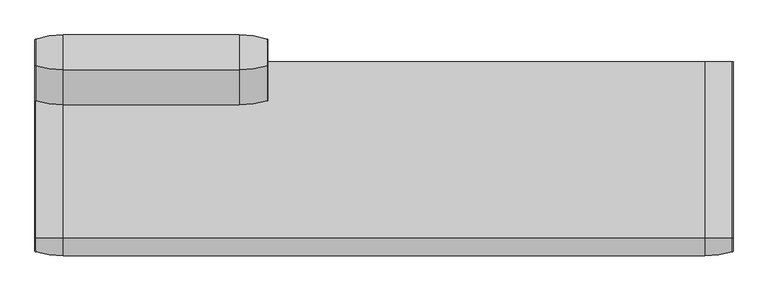
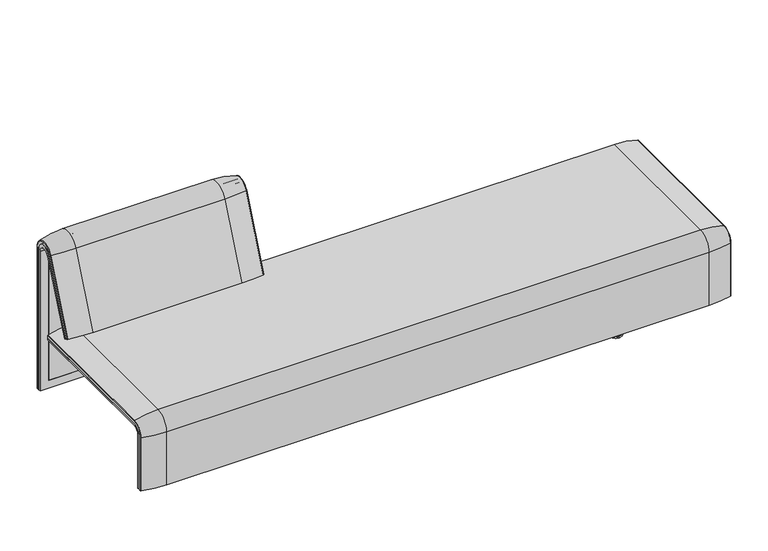
"""IFC4 building model written with IfcOpenShell, lengths in millimetres: furniture geometry."""

from ifc_helpers import new_model, si_unit, point, frame, frame_2d, origin, place, context, project, spatial, polyline, circle_curve, ellipse_curve, trimmed, segment, composite_curve, outline, extrude, source, transform, mapped, element, save
from ifc_brep_helpers import plane_surface, cylinder_surface, revolved_surface, advanced_brep


def furniture_80d28bf8(model_context):
    return source(origin(), model_context, "Body", "SolidModel", [
        advanced_brep(
        [(-407.9740803, 351.0000061, 101.8476716), (-407.9740803, 359.7858817, 101.8476716), (-407.9740803, 359.7858817, 720.3417731), (-407.9740803, 292.4403877, 733.7122262), (-407.9740803, 170.1966807, 437.98305), (-407.9740803, 175.0204081, 435.9866665), (-407.9740803, 296.2458652, 723.9869215), (-407.9740803, 351.0000061, 712.9272623), (-1223.9553291, 351.0000061, 101.8476716), (-1223.9553291, 351.0000061, 712.9272623), (-1223.9553291, 296.2720241, 723.9759107), (-1223.9553291, 175.0204081, 435.9866665), (-1223.9553291, 170.1966807, 437.98305), (-1223.9553291, 292.4403877, 733.7122262), (-1223.9553291, 359.7858817, 720.3417731), (-1223.9553291, 359.7858817, 101.8476716), (-442.8906244, 292.4403877, 733.7122262), (-442.8906244, 176.0980387, 452.25948), (-1189.0718733, 176.0980387, 452.25948), (-1189.0718733, 292.4403877, 733.7122262), (-1189.0718733, 296.2458652, 723.9869215), (-1189.0718733, 181.0136548, 450.2250668), (-442.8906244, 181.0136548, 450.2250668), (-442.8906244, 296.2458652, 723.9869215), (-442.8906244, 351.0000061, 712.9272623), (-442.8906244, 351.0000061, 135.3766997), (-1189.0718733, 351.0000061, 135.3766997), (-1189.0718733, 351.0000061, 712.9272623), (-1189.0718733, 359.7858817, 720.3417731), (-1189.0718733, 359.7858817, 135.3766997), (-442.8906244, 359.7858817, 135.3766997), (-442.8906244, 359.7858817, 720.3417731)],
        [
            (0, 1),
            (1, 2),
            (2, 3, circle_curve(frame((-407.9740803, 324.7858817, 720.3417731), z_axis=(1.0, 0.0, 0.0), x_axis=(0.0, -1.0, 0.0)), 35.0)),
            (3, 4),
            (4, 5),
            (5, 6),
            (6, 7, circle_curve(frame((-407.9740803, 322.520748, 712.9272623), z_axis=(-1.0, 0.0, 0.0), x_axis=(0.0, -1.0, 0.0)), 28.479258)),
            (7, 0),
            (8, 9),
            (9, 10, circle_curve(frame((-1223.9553291, 322.520748, 712.9272623), z_axis=(1.0, 0.0, 0.0), x_axis=(0.0, -1.0, 0.0)), 28.479258)),
            (10, 11),
            (11, 12),
            (12, 13),
            (13, 14, circle_curve(frame((-1223.9553291, 324.7858817, 720.3417731), z_axis=(-1.0, 0.0, 0.0), x_axis=(0.0, -1.0, 0.0)), 35.0)),
            (14, 15),
            (15, 8),
            (3, 16),
            (16, 17),
            (17, 18),
            (18, 19),
            (19, 13),
            (12, 4),
            (11, 5),
            (10, 20),
            (20, 21),
            (21, 22),
            (22, 23),
            (23, 6),
            (7, 24),
            (24, 25),
            (25, 26),
            (26, 27),
            (27, 9),
            (8, 0),
            (15, 1),
            (14, 28),
            (28, 29),
            (29, 30),
            (30, 31),
            (31, 2),
            (31, 16, circle_curve(frame((-442.8906244, 324.7858817, 720.3417731), z_axis=(1.0, 0.0, 0.0), x_axis=(0.0, -1.0, 0.0)), 35.0)),
            (19, 28, circle_curve(frame((-1189.0718733, 324.7858817, 720.3417731), z_axis=(-1.0, 0.0, 0.0), x_axis=(0.0, -1.0, 0.0)), 35.0)),
            (23, 24, circle_curve(frame((-442.8906244, 322.520748, 712.9272623), z_axis=(-1.0, 0.0, 0.0), x_axis=(0.0, -1.0, 0.0)), 28.479258)),
            (27, 20, circle_curve(frame((-1189.0718733, 322.520748, 712.9272623), z_axis=(1.0, 0.0, 0.0), x_axis=(0.0, -1.0, 0.0)), 28.479258)),
            (22, 17),
            (30, 25),
            (26, 29),
            (18, 21),
        ],
        [
            plane_surface(frame((-407.9740803, 359.7858817, 101.8476716), z_axis=(1.0, 0.0, 0.0), x_axis=(0.0, 1.0, 0.0))),
            plane_surface(frame((-1223.9553291, 359.7858817, 101.8476716), z_axis=(-1.0, 0.0, 0.0), x_axis=(0.0, -1.0, 0.0))),
            plane_surface(frame((-407.9740803, 292.4403877, 733.7122262), z_axis=(0.0, -0.9241569717933176, 0.3820129467515535), x_axis=(-1.0, 0.0, 0.0))),
            plane_surface(frame((-407.9740803, 170.1966807, 437.98305), z_axis=(0.0, -0.38241039441983893, -0.9239925812687368), x_axis=(-1.0, 0.0, 0.0))),
            plane_surface(frame((-407.9740803, 175.0204081, 435.9866665), z_axis=(0.0, 0.921678643444566, -0.3879542218073993), x_axis=(-1.0, 0.0, 0.0))),
            plane_surface(frame((-407.9740803, 351.0000061, 712.9272623), z_axis=(0.0, -1.0, 0.0), x_axis=(-1.0, 0.0, 0.0))),
            plane_surface(frame((-407.9740803, 351.0000061, 101.8476716), z_axis=(0.0, 0.0, -1.0), x_axis=(-1.0, 0.0, 0.0))),
            plane_surface(frame((-407.9740803, 359.7858817, 101.8476716), z_axis=(0.0, 1.0, 0.0), x_axis=(-1.0, 0.0, 0.0))),
            cylinder_surface(frame((-1223.9553291, 324.7858817, 720.3417731), z_axis=(1.0, 0.0, 0.0), x_axis=(0.0, -1.0, 0.0)), 35.0),
            revolved_surface(polyline([(-442.8906244, 294.04149, 712.9272623), (-407.97408029999997, 294.04149, 712.9272623)]), (-1223.9553291, 322.520748, 712.9272623), (-1.0, 0.0, 0.0)),
            revolved_surface(polyline([(-1223.9553291, 294.04149, 712.9272623), (-1189.0718733, 294.04149, 712.9272623)]), (-1223.9553291, 322.520748, 712.9272623), (-1.0, 0.0, 0.0)),
            plane_surface(frame((-442.8906244, 359.7858817, 135.3766997), z_axis=(-1.0, 0.0, 0.0), x_axis=(0.0, 1.0, 0.0))),
            plane_surface(frame((-1189.0718733, 359.7858817, 135.3766997), z_axis=(1.0, 0.0, 0.0), x_axis=(0.0, -1.0, 0.0))),
            plane_surface(frame((-442.8906244, 166.9120641, 456.0612553), z_axis=(0.0, 0.38241039441982605, 0.9239925812687422), x_axis=(-1.0, 0.0, 0.0))),
            plane_surface(frame((-442.8906244, 344.7858817, 135.3766997), z_axis=(0.0, 0.0, 1.0), x_axis=(-1.0, 0.0, 0.0))),
        ],
        [
            (0, [[1, 2, 3, 4, 5, 6, 7, 8]]),
            (1, [[9, 10, 11, 12, 13, 14, 15, 16]]),
            (2, [[-4, 17, 18, 19, 20, 21, -13, 22]]),
            (3, [[-5, -22, -12, 23]]),
            (4, [[-6, -23, -11, 24, 25, 26, 27, 28]]),
            (5, [[-8, 29, 30, 31, 32, 33, -9, 34]]),
            (6, [[-1, -34, -16, 35]]),
            (7, [[-2, -35, -15, 36, 37, 38, 39, 40]]),
            (8, [[-3, -40, 41, -17]]),
            (8, [[-14, -21, 42, -36]]),
            (9, [[-7, -28, 43, -29]]),
            (10, [[-10, -33, 44, -24]]),
            (11, [[45, -18, -41, -39, 46, -30, -43, -27]]),
            (12, [[47, -37, -42, -20, 48, -25, -44, -32]]),
            (13, [[-45, -26, -48, -19]]),
            (14, [[-46, -38, -47, -31]]),
        ],
    ),
        advanced_brep(
        [(-442.8906244, 351.0000061, 135.3766997), (-442.8906244, 359.7858817, 135.3766997), (-442.8906244, 359.7858817, 720.3417731), (-442.8906244, 292.4403877, 733.7122262), (-442.8906244, 176.0980387, 452.25948), (-442.8906244, 181.0136548, 450.2250668), (-442.8906244, 296.2458652, 723.9869215), (-442.8906244, 351.0000061, 712.9272623), (-1189.0718733, 351.0000061, 135.3766997), (-1189.0718733, 351.0000061, 712.9272623), (-1189.0718733, 296.2720241, 723.9759107), (-1189.0718733, 181.0136548, 450.2250668), (-1189.0718733, 176.0980387, 452.25948), (-1189.0718733, 292.4403877, 733.7122262), (-1189.0718733, 359.7858817, 720.3417731), (-1189.0718733, 359.7858817, 135.3766997)],
        [
            (0, 1),
            (1, 2),
            (2, 3, circle_curve(frame((-442.8906244, 324.7858817, 720.3417731), z_axis=(1.0, 0.0, 0.0), x_axis=(0.0, -1.0, 0.0)), 35.0)),
            (3, 4),
            (4, 5),
            (5, 6),
            (6, 7, circle_curve(frame((-442.8906244, 322.520748, 712.9272623), z_axis=(-1.0, 0.0, 0.0), x_axis=(0.0, -1.0, 0.0)), 28.479258)),
            (7, 0),
            (8, 9),
            (9, 10, circle_curve(frame((-1189.0718733, 322.520748, 712.9272623), z_axis=(1.0, 0.0, 0.0), x_axis=(0.0, -1.0, 0.0)), 28.479258)),
            (10, 11),
            (11, 12),
            (12, 13),
            (13, 14, circle_curve(frame((-1189.0718733, 324.7858817, 720.3417731), z_axis=(-1.0, 0.0, 0.0), x_axis=(0.0, -1.0, 0.0)), 35.0)),
            (14, 15),
            (15, 8),
            (3, 13),
            (12, 4),
            (11, 5),
            (10, 6),
            (7, 9),
            (8, 0),
            (15, 1),
            (14, 2),
        ],
        [
            plane_surface(frame((-442.8906244, 359.7858817, 135.3766997), z_axis=(1.0, 0.0, 0.0), x_axis=(0.0, 1.0, 0.0))),
            plane_surface(frame((-1189.0718733, 359.7858817, 135.3766997), z_axis=(-1.0, 0.0, 0.0), x_axis=(0.0, -1.0, 0.0))),
            plane_surface(frame((-442.8906244, 292.4403877, 733.7122262), z_axis=(0.0, -0.9241569717933176, 0.3820129467515535), x_axis=(-1.0, 0.0, 0.0))),
            plane_surface(frame((-442.8906244, 176.0980387, 452.25948), z_axis=(0.0, -0.38241039441982716, -0.9239925812687417), x_axis=(-1.0, 0.0, 0.0))),
            plane_surface(frame((-442.8906244, 181.0136548, 450.2250668), z_axis=(0.0, 0.921678643444566, -0.3879542218073993), x_axis=(-1.0, 0.0, 0.0))),
            plane_surface(frame((-442.8906244, 351.0000061, 712.9272623), z_axis=(0.0, -1.0, 0.0), x_axis=(-1.0, 0.0, 0.0))),
            plane_surface(frame((-442.8906244, 351.0000061, 135.3766997), z_axis=(0.0, 0.0, -1.0), x_axis=(-1.0, 0.0, 0.0))),
            plane_surface(frame((-442.8906244, 359.7858817, 135.3766997), z_axis=(0.0, 1.0, 0.0), x_axis=(-1.0, 0.0, 0.0))),
            cylinder_surface(frame((-1189.0718733, 324.7858817, 720.3417731), z_axis=(1.0, 0.0, 0.0), x_axis=(0.0, -1.0, 0.0)), 35.0),
            revolved_surface(polyline([(-1189.0718733, 294.04149, 712.9272623), (-442.8906244, 294.04149, 712.9272623)]), (-1189.0718733, 322.520748, 712.9272623), (-1.0, 0.0, 0.0)),
        ],
        [
            (0, [[1, 2, 3, 4, 5, 6, 7, 8]]),
            (1, [[9, 10, 11, 12, 13, 14, 15, 16]]),
            (2, [[-4, 17, -13, 18]]),
            (3, [[-5, -18, -12, 19]]),
            (4, [[-6, -19, -11, 20]]),
            (5, [[-8, 21, -9, 22]]),
            (6, [[-1, -22, -16, 23]]),
            (7, [[-2, -23, -15, 24]]),
            (8, [[-3, -24, -14, -17]]),
            (9, [[-7, -20, -10, -21]]),
        ],
    ),
        extrude(outline(composite_curve([segment(trimmed(circle_curve(frame_2d((305.0000061, 379.9223263)), 30.0), [point((305.0000061, 349.9223263))], [point((335.0000061, 379.9223263))], True, "CARTESIAN"), True, "CONTINUOUS"), segment(polyline([(335.0000061, 379.9223263), (335.0000061, 515.0657595)]), True, "CONTINUOUS"), segment(trimmed(circle_curve(frame_2d((305.0000061, 515.0657595)), 30.0), [point((335.0000061, 515.0657595))], [point((316.7219399, 542.6809051))], True, "CARTESIAN"), True, "CONTINUOUS"), segment(polyline([(316.7219399, 542.6809051), (257.4911714, 567.8228747)]), True, "CONTINUOUS"), segment(trimmed(circle_curve(frame_2d((251.6302045, 554.0153019)), 15.0), [point((257.4911714, 567.8228747))], [point((238.0355877, 560.3545758))], True, "CARTESIAN"), True, "CONTINUOUS"), segment(polyline([(238.0355877, 560.3545758), (222.2725218, 526.5505721), (213.7507451, 529.5682915), (296.3054528, 724.0549949)]), True, "CONTINUOUS"), segment(trimmed(circle_curve(frame_2d((322.520748, 712.9272623)), 28.479258), [point((296.3054528, 724.0549949))], [point((351.0000061, 712.9272623))], False, "CARTESIAN"), True, "CONTINUOUS"), segment(polyline([(351.0000061, 712.9272623), (351.0000061, 197.0551771), (343.3075759, 197.0551771), (339.4064861, 271.492405)]), True, "CONTINUOUS"), segment(trimmed(circle_curve(frame_2d((309.4476, 269.9223263)), 30.0), [point((339.4064861, 271.492405))], [point((309.4476, 299.9223263))], True, "CARTESIAN"), True, "CONTINUOUS"), segment(polyline([(309.4476, 299.9223263), (270.0000061, 299.9223263), (270.0000061, 359.9223263), (275.0000061, 359.9223263)]), True, "CONTINUOUS"), segment(trimmed(circle_curve(frame_2d((285.0000061, 359.9223263)), 10.0), [point((275.0000061, 359.9223263))], [point((285.0000061, 349.9223263))], True, "CARTESIAN"), True, "CONTINUOUS"), segment(polyline([(285.0000061, 349.9223263), (305.0000061, 349.9223263)]), True, "CONTINUOUS")], self_intersect=False), holes=[composite_curve([segment(polyline([(337.5000061, 576.3274105), (337.5000061, 716.7072663)]), True, "CONTINUOUS"), segment(trimmed(circle_curve(frame_2d((322.5000061, 716.7072663)), 15.0), [point((337.5000061, 716.7072663))], [point((308.9053893, 723.0465402))], True, "CARTESIAN"), True, "CONTINUOUS"), segment(polyline([(308.9053893, 723.0465402), (253.6256191, 604.4986904)]), True, "CONTINUOUS"), segment(trimmed(circle_curve(frame_2d((271.7517748, 596.0463251)), 20.0), [point((253.6256191, 604.4986904))], [point((265.0756376, 577.1934953))], True, "CARTESIAN"), True, "CONTINUOUS"), segment(polyline([(265.0756376, 577.1934953), (314.1406626, 559.8186587)]), True, "CONTINUOUS"), segment(trimmed(circle_curve(frame_2d((319.9867182, 576.3274105)), 17.5132879), [point((314.1406626, 559.8186587))], [point((337.5000061, 576.3274105))], True, "CARTESIAN"), True, "CONTINUOUS")], self_intersect=False)]), frame((-570.986452, 0.0, 0.0), z_axis=(1.0, 0.0, 0.0), x_axis=(0.0, 1.0, 0.0)), (0.0, 0.0, 1.0), 40.0),
        advanced_brep(
        [(-507.9740803, 388.2902376, 100.5089435), (-410.1127088, 373.93893, 100.5089435), (-407.9740803, 371.0652495, 100.5089435), (-407.9740803, 359.7858817, 100.5089435), (-1223.9884174, 359.7858817, 100.5089435), (-1223.9884174, 371.0652495, 100.5089435), (-1221.8497889, 373.93893, 100.5089435), (-1123.9884174, 388.2902376, 100.5089435), (-1123.9884174, 388.2902376, 720.3417731), (-507.9740803, 388.2902376, 720.3417731), (-410.1127088, 373.93893, 720.3417731), (-407.9740803, 371.0652495, 720.3417731), (-407.9740803, 282.0164812, 738.0210907), (-407.9740803, 159.7723383, 442.2908598), (-407.9740803, 170.1962447, 437.9819952), (-407.9740803, 292.4403877, 733.7122262), (-407.9740803, 359.7858817, 720.3417731), (-1223.9884174, 359.7858817, 720.3417731), (-507.9740803, 143.8537454, 448.8710282), (-1123.9884174, 143.8537454, 448.8710282), (-1221.8497889, 157.1166065, 443.3886429), (-1223.9884174, 159.7723383, 442.2908598), (-1223.9884174, 170.1962447, 437.9819952), (-410.1127088, 157.1166065, 443.3886429), (-507.9740803, 266.0978884, 744.6012592), (-1123.9884174, 266.0978884, 744.6012592), (-410.1127088, 279.3607494, 739.1188739), (-1223.9884174, 292.4403877, 733.7122262), (-1223.9884174, 282.0164812, 738.0210907), (-1223.9884174, 371.0652495, 720.3417731), (-1221.8497889, 373.93893, 720.3417731), (-1221.8497889, 279.3607494, 739.1188739)],
        [
            (0, 1, circle_curve(frame((-507.9740803, 47.4569043, 100.5089435), z_axis=(0.0, 0.0, -1.0), x_axis=(0.0, -1.0, 0.0)), 340.8333333)),
            (1, 2, circle_curve(frame((-410.9740803, 371.0652495, 100.5089435), z_axis=(0.0, 0.0, -1.0), x_axis=(1.0, 0.0, 0.0)), 3.0)),
            (2, 3),
            (3, 4),
            (4, 5),
            (5, 6, circle_curve(frame((-1220.9884174, 371.0652495, 100.5089435), z_axis=(0.0, 0.0, -1.0), x_axis=(-1.0, 0.0, 0.0)), 3.0)),
            (6, 7, circle_curve(frame((-1123.9884174, 47.4569043, 100.5089435), z_axis=(0.0, 0.0, -1.0), x_axis=(0.0, -1.0, 0.0)), 340.8333333)),
            (7, 0),
            (7, 8),
            (8, 9),
            (9, 0),
            (9, 10, circle_curve(frame((-507.9740803, 47.4569043, 720.3417731), z_axis=(0.0, 0.0, -1.0), x_axis=(0.0, -1.0, 0.0)), 340.8333333)),
            (10, 1),
            (10, 11, circle_curve(frame((-410.9740803, 371.0652495, 720.3417731), z_axis=(0.0, 0.0, -1.0), x_axis=(1.0, 0.0, 0.0)), 3.0)),
            (11, 2),
            (11, 12, circle_curve(frame((-407.9740803, 324.7858817, 720.3417731), z_axis=(1.0, 0.0, 0.0), x_axis=(0.0, 1.0, 0.0)), 46.2793679)),
            (12, 13),
            (13, 14),
            (14, 15),
            (15, 16, circle_curve(frame((-407.9740803, 324.7858817, 720.3417731), z_axis=(-1.0, 0.0, 0.0), x_axis=(0.0, 1.0, 0.0)), 35.0)),
            (16, 3),
            (16, 17),
            (17, 4),
            (18, 19),
            (19, 20, circle_curve(frame((-1123.9884174, 458.8372467, 318.6682822), z_axis=(0.0, -0.38201294675155345, -0.9241569717933176), x_axis=(0.0, 0.9241569717933176, -0.38201294675155345)), 340.8333333)),
            (20, 21, circle_curve(frame((-1220.9884174, 159.7723383, 442.2908598), z_axis=(0.0, -0.38201294675155345, -0.9241569717933176), x_axis=(-1.0, 0.0, 0.0)), 3.0)),
            (21, 22),
            (22, 14),
            (13, 23, circle_curve(frame((-410.9740803, 159.7723383, 442.2908598), z_axis=(0.0, -0.38201294675155345, -0.9241569717933176), x_axis=(1.0, 0.0, 0.0)), 3.0)),
            (23, 18, circle_curve(frame((-507.9740803, 458.8372467, 318.6682822), z_axis=(0.0, -0.38201294675155345, -0.9241569717933176), x_axis=(0.0, 0.9241569717933176, -0.38201294675155345)), 340.8333333)),
            (24, 9, circle_curve(frame((-507.9740803, 324.7858817, 720.3417731), z_axis=(-1.0, 0.0, 0.0), x_axis=(0.0, 1.0, 0.0)), 63.5043559)),
            (8, 25, circle_curve(frame((-1123.9884174, 324.7858817, 720.3417731), z_axis=(1.0, 0.0, 0.0), x_axis=(0.0, 1.0, 0.0)), 63.5043559)),
            (25, 24),
            (26, 10, circle_curve(frame((-410.1127088, 324.7858817, 720.3417731), z_axis=(-1.0, 0.0, 0.0), x_axis=(0.0, 1.0, 0.0)), 49.1530483)),
            (24, 26, circle_curve(frame((-507.9740803, 581.0813896, 614.3985132), z_axis=(0.0, 0.382012946751556, 0.9241569717933165), x_axis=(0.0, 0.9241569717933165, -0.382012946751556)), 340.8333333)),
            (26, 12, circle_curve(frame((-410.9740803, 282.0164812, 738.0210907), z_axis=(0.0, 0.3820129467515552, 0.9241569717933168), x_axis=(1.0, 0.0, 0.0)), 3.0)),
            (27, 17, circle_curve(frame((-1223.9884174, 324.7858817, 720.3417731), z_axis=(-1.0, 0.0, 0.0), x_axis=(0.0, 1.0, 0.0)), 35.0)),
            (15, 27),
            (25, 19),
            (18, 24),
            (23, 26),
            (22, 27),
            (21, 28),
            (28, 29, circle_curve(frame((-1223.9884174, 324.7858817, 720.3417731), z_axis=(-1.0, 0.0, 0.0), x_axis=(0.0, 1.0, 0.0)), 46.2793679)),
            (29, 5),
            (29, 30, circle_curve(frame((-1220.9884174, 371.0652495, 720.3417731), z_axis=(0.0, 0.0, -1.0), x_axis=(-1.0, 0.0, 0.0)), 3.0)),
            (30, 6),
            (30, 8, circle_curve(frame((-1123.9884174, 47.4569043, 720.3417731), z_axis=(0.0, 0.0, -1.0), x_axis=(0.0, -1.0, 0.0)), 340.8333333)),
            (31, 30, circle_curve(frame((-1221.8497889, 324.7858817, 720.3417731), z_axis=(-1.0, 0.0, 0.0), x_axis=(0.0, 1.0, 0.0)), 49.1530483)),
            (28, 31, circle_curve(frame((-1220.9884174, 282.0164812, 738.0210907), z_axis=(0.0, 0.3820129467515544, 0.9241569717933172), x_axis=(-1.0, 0.0, 0.0)), 3.0)),
            (31, 25, circle_curve(frame((-1123.9884174, 581.0813896, 614.3985132), z_axis=(0.0, 0.3820129467515532, 0.9241569717933177), x_axis=(0.0, 0.9241569717933177, -0.3820129467515532)), 340.8333333)),
            (20, 31),
        ],
        [
            plane_surface(frame((-811.2162256, 359.7858817, 100.5089435), z_axis=(0.0, 0.0, -1.0), x_axis=(1.0, 0.0, 0.0))),
            plane_surface(frame((-1123.9884174, 388.2902376, 100.5089435), z_axis=(0.0, 1.0, 0.0), x_axis=(0.0, 0.0, 1.0))),
            cylinder_surface(frame((-507.9740803, 47.4569043, 100.5089435), z_axis=(0.0, 0.0, -1.0), x_axis=(0.0, -1.0, 0.0)), 340.8333333),
            cylinder_surface(frame((-410.9740803, 371.0652495, 100.5089435), z_axis=(0.0, 0.0, -1.0), x_axis=(1.0, 0.0, 0.0)), 3.0),
            plane_surface(frame((-407.9740803, 371.0652495, 100.5089435), z_axis=(1.0, 0.0, 0.0), x_axis=(0.0, 0.0, 1.0))),
            plane_surface(frame((-407.9740803, 359.7858817, 100.5089435), z_axis=(0.0, -1.0, 0.0), x_axis=(0.0, 0.0, 1.0))),
            plane_surface(frame((-811.2162256, 170.1962447, 437.9819952), z_axis=(0.0, -0.38201294675155345, -0.9241569717933176), x_axis=(1.0, 0.0, 0.0))),
            cylinder_surface(frame((-811.2162256, 324.7858817, 720.3417731), z_axis=(1.0, 0.0, 0.0), x_axis=(0.0, 1.0, 0.0)), 63.5043559),
            revolved_surface(trimmed(ellipse_curve(frame((-507.9740803, 47.4569043, 720.3417731), z_axis=(0.0, 0.0, -1.0), x_axis=(0.0, -1.0, 0.0)), 340.8333333, 340.8333333), [point((-507.9740803, 388.2902376, 720.3417731))], [point((-410.1127088, 373.93893, 720.3417731))], True, "CARTESIAN"), (-811.2162256, 324.7858817, 720.3417731), (1.0, 0.0, 0.0)),
            revolved_surface(trimmed(ellipse_curve(frame((-410.9740803, 371.0652495, 720.3417731), z_axis=(0.0, 0.0, -1.0), x_axis=(1.0, 0.0, 0.0)), 3.0, 3.0), [point((-410.1127088, 373.93893, 720.3417731))], [point((-407.9740803, 371.0652495, 720.3417731))], True, "CARTESIAN"), (-811.2162256, 324.7858817, 720.3417731), (1.0, 0.0, 0.0)),
            revolved_surface(polyline([(-407.9740803, 359.7858817, 720.3417731), (-1223.9884174, 359.7858817, 720.3417731)]), (-811.2162256, 324.7858817, 720.3417731), (1.0, 0.0, 0.0)),
            plane_surface(frame((-1123.9884174, 266.0978884, 744.6012592), z_axis=(0.0, -0.9241569717933176, 0.38201294675155356), x_axis=(0.0, -0.38201294675155356, -0.9241569717933176))),
            cylinder_surface(frame((-507.9740803, 581.0813896, 614.3985132), z_axis=(0.0, 0.38201294675155345, 0.9241569717933176), x_axis=(0.0, 0.9241569717933176, -0.38201294675155345)), 340.8333333),
            cylinder_surface(frame((-410.9740803, 282.0164812, 738.0210907), z_axis=(0.0, 0.38201294675155345, 0.9241569717933176), x_axis=(1.0, 0.0, 0.0)), 3.0),
            plane_surface(frame((-407.9740803, 292.4403877, 733.7122262), z_axis=(0.0, 0.9241569717933176, -0.38201294675155356), x_axis=(0.0, -0.38201294675155356, -0.9241569717933176))),
            plane_surface(frame((-1223.9884174, 359.7858817, 100.5089435), z_axis=(-1.0, 0.0, 0.0), x_axis=(0.0, 0.0, 1.0))),
            cylinder_surface(frame((-1220.9884174, 371.0652495, 100.5089435), z_axis=(0.0, 0.0, -1.0), x_axis=(-1.0, 0.0, 0.0)), 3.0),
            cylinder_surface(frame((-1123.9884174, 47.4569043, 100.5089435), z_axis=(0.0, 0.0, -1.0), x_axis=(0.0, -1.0, 0.0)), 340.8333333),
            revolved_surface(trimmed(ellipse_curve(frame((-1220.9884174, 371.0652495, 720.3417731), z_axis=(0.0, 0.0, -1.0), x_axis=(-1.0, 0.0, 0.0)), 3.0, 3.0), [point((-1223.9884174, 371.0652495, 720.3417731))], [point((-1221.8497889, 373.93893, 720.3417731))], True, "CARTESIAN"), (-811.2162256, 324.7858817, 720.3417731), (1.0, 0.0, 0.0)),
            revolved_surface(trimmed(ellipse_curve(frame((-1123.9884174, 47.4569043, 720.3417731), z_axis=(0.0, 0.0, -1.0), x_axis=(0.0, -1.0, 0.0)), 340.8333333, 340.8333333), [point((-1221.8497889, 373.93893, 720.3417731))], [point((-1123.9884174, 388.2902376, 720.3417731))], True, "CARTESIAN"), (-811.2162256, 324.7858817, 720.3417731), (1.0, 0.0, 0.0)),
            cylinder_surface(frame((-1220.9884174, 282.0164812, 738.0210907), z_axis=(0.0, 0.38201294675155345, 0.9241569717933176), x_axis=(-1.0, 0.0, 0.0)), 3.0),
            cylinder_surface(frame((-1123.9884174, 581.0813896, 614.3985132), z_axis=(0.0, 0.38201294675155345, 0.9241569717933176), x_axis=(0.0, 0.9241569717933176, -0.38201294675155345)), 340.8333333),
        ],
        [
            (0, [[1, 2, 3, 4, 5, 6, 7, 8]]),
            (1, [[-8, 9, 10, 11]]),
            (2, [[-1, -11, 12, 13]]),
            (3, [[-2, -13, 14, 15]]),
            (4, [[-3, -15, 16, 17, 18, 19, 20, 21]]),
            (5, [[-4, -21, 22, 23]]),
            (6, [[24, 25, 26, 27, 28, -18, 29, 30]]),
            (7, [[31, -10, 32, 33]]),
            (8, [[34, -12, -31, 35]]),
            (9, [[-16, -14, -34, 36]]),
            (10, [[37, -22, -20, 38]]),
            (11, [[-33, 39, -24, 40]]),
            (12, [[-35, -40, -30, 41]]),
            (13, [[-36, -41, -29, -17]]),
            (14, [[-38, -19, -28, 42]]),
            (15, [[-5, -23, -37, -42, -27, 43, 44, 45]]),
            (16, [[-6, -45, 46, 47]]),
            (17, [[-7, -47, 48, -9]]),
            (18, [[49, -46, -44, 50]]),
            (19, [[-32, -48, -49, 51]]),
            (20, [[-50, -43, -26, 52]]),
            (21, [[-51, -52, -25, -39]]),
        ],
    ),
        extrude(outline(composite_curve([segment(trimmed(circle_curve(frame_2d((305.0000061, 379.9223263)), 30.0), [point((305.0000061, 349.9223263))], [point((335.0000061, 379.9223263))], True, "CARTESIAN"), True, "CONTINUOUS"), segment(polyline([(335.0000061, 379.9223263), (335.0000061, 515.0657595)]), True, "CONTINUOUS"), segment(trimmed(circle_curve(frame_2d((305.0000061, 515.0657595)), 30.0), [point((335.0000061, 515.0657595))], [point((316.7219399, 542.6809051))], True, "CARTESIAN"), True, "CONTINUOUS"), segment(polyline([(316.7219399, 542.6809051), (257.4911714, 567.8228747)]), True, "CONTINUOUS"), segment(trimmed(circle_curve(frame_2d((251.6302045, 554.0153019)), 15.0), [point((257.4911714, 567.8228747))], [point((238.0355877, 560.3545758))], True, "CARTESIAN"), True, "CONTINUOUS"), segment(polyline([(238.0355877, 560.3545758), (222.2725218, 526.5505721), (213.7507451, 529.5682915), (296.3054528, 724.0549949)]), True, "CONTINUOUS"), segment(trimmed(circle_curve(frame_2d((322.520748, 712.9272623)), 28.479258), [point((296.3054528, 724.0549949))], [point((351.0000061, 712.9272623))], False, "CARTESIAN"), True, "CONTINUOUS"), segment(polyline([(351.0000061, 712.9272623), (351.0000061, 197.0551771), (343.3075759, 197.0551771), (339.4064861, 271.492405)]), True, "CONTINUOUS"), segment(trimmed(circle_curve(frame_2d((309.4476, 269.9223263)), 30.0), [point((339.4064861, 271.492405))], [point((309.4476, 299.9223263))], True, "CARTESIAN"), True, "CONTINUOUS"), segment(polyline([(309.4476, 299.9223263), (270.0000061, 299.9223263), (270.0000061, 359.9223263), (275.0000061, 359.9223263)]), True, "CONTINUOUS"), segment(trimmed(circle_curve(frame_2d((285.0000061, 359.9223263)), 10.0), [point((275.0000061, 359.9223263))], [point((285.0000061, 349.9223263))], True, "CARTESIAN"), True, "CONTINUOUS"), segment(polyline([(285.0000061, 349.9223263), (305.0000061, 349.9223263)]), True, "CONTINUOUS")], self_intersect=False), holes=[composite_curve([segment(polyline([(337.5000061, 576.3274105), (337.5000061, 716.7072663)]), True, "CONTINUOUS"), segment(trimmed(circle_curve(frame_2d((322.5000061, 716.7072663)), 15.0), [point((337.5000061, 716.7072663))], [point((308.9053893, 723.0465402))], True, "CARTESIAN"), True, "CONTINUOUS"), segment(polyline([(308.9053893, 723.0465402), (253.6256191, 604.4986904)]), True, "CONTINUOUS"), segment(trimmed(circle_curve(frame_2d((271.7517748, 596.0463251)), 20.0), [point((253.6256191, 604.4986904))], [point((265.0756376, 577.1934953))], True, "CARTESIAN"), True, "CONTINUOUS"), segment(polyline([(265.0756376, 577.1934953), (314.1406626, 559.8186587)]), True, "CONTINUOUS"), segment(trimmed(circle_curve(frame_2d((319.9867182, 576.3274105)), 17.5132879), [point((314.1406626, 559.8186587))], [point((337.5000061, 576.3274105))], True, "CARTESIAN"), True, "CONTINUOUS")], self_intersect=False)]), frame((-1100.9760457, 0.0, 0.0), z_axis=(1.0, 0.0, 0.0), x_axis=(0.0, 1.0, 0.0)), (0.0, 0.0, 1.0), 40.0),
        advanced_brep(
        [(-1223.9718733, 295.0, 359.922434), (-1223.9718733, -323.7517936, 359.922434), (-1223.9718733, -351.0, 332.6742277), (-1223.9718733, -351.0, 100.5089435), (-1223.9718733, -357.5, 100.5089435), (-1223.9718733, -357.5, 333.0583003), (-1223.9718733, -324.3858663, 366.172434), (-1223.9718733, 295.0, 366.172434), (1223.9718733, 295.0, 359.922434), (1223.9718733, 295.0, 366.172434), (1223.9718733, -324.3858663, 366.172434), (1223.9718733, -357.5, 333.0583003), (1223.9718733, -357.5, 100.5089435), (1223.9718733, -351.0, 100.5089435), (1223.9718733, -351.0, 332.6742277), (1223.9718733, -323.7517936, 359.922434), (-1189.0718733, -324.3858663, 366.172434), (-1189.0718733, 260.0, 366.172434), (1189.0718733, 260.0, 366.172434), (1189.0718733, -324.3858663, 366.172434), (-1189.0718733, -357.5, 333.0583003), (1189.0718733, -357.5, 333.0583003), (1189.0718733, -357.5, 135.3766997), (-1189.0718733, -357.5, 135.3766997), (-1189.0718733, -351.0, 332.6742277), (-1189.0718733, -351.0, 135.3766997), (1189.0718733, -351.0, 135.3766997), (1189.0718733, -351.0, 332.6742277), (-1189.0718733, -323.7517936, 359.922434), (1189.0718733, -323.7517936, 359.922434), (1189.0718733, 260.0, 359.922434), (-1189.0718733, 260.0, 359.922434)],
        [
            (0, 1),
            (1, 2, circle_curve(frame((-1223.9718733, -323.7517936, 332.6742277), z_axis=(1.0, 0.0, 0.0), x_axis=(0.0, -1.0, 0.0)), 27.2482064)),
            (2, 3),
            (3, 4),
            (4, 5),
            (5, 6, circle_curve(frame((-1223.9718733, -324.3858663, 333.0583003), z_axis=(-1.0, 0.0, 0.0), x_axis=(0.0, -1.0, 0.0)), 33.1141337)),
            (6, 7),
            (7, 0),
            (8, 9),
            (9, 10),
            (10, 11, circle_curve(frame((1223.9718733, -324.3858663, 333.0583003), z_axis=(1.0, 0.0, 0.0), x_axis=(0.0, -1.0, 0.0)), 33.1141337)),
            (11, 12),
            (12, 13),
            (13, 14),
            (14, 15, circle_curve(frame((1223.9718733, -323.7517936, 332.6742277), z_axis=(-1.0, 0.0, 0.0), x_axis=(0.0, -1.0, 0.0)), 27.2482064)),
            (15, 8),
            (7, 9),
            (8, 0),
            (6, 16),
            (16, 17),
            (17, 18),
            (18, 19),
            (19, 10),
            (5, 20),
            (20, 16, circle_curve(frame((-1189.0718733, -324.3858663, 333.0583003), z_axis=(-1.0, 0.0, 0.0), x_axis=(0.0, -1.0, 0.0)), 33.1141337)),
            (19, 21, circle_curve(frame((1189.0718733, -324.3858663, 333.0583003), z_axis=(1.0, 0.0, 0.0), x_axis=(0.0, -1.0, 0.0)), 33.1141337)),
            (21, 11),
            (4, 12),
            (21, 22),
            (22, 23),
            (23, 20),
            (3, 13),
            (2, 24),
            (24, 25),
            (25, 26),
            (26, 27),
            (27, 14),
            (1, 28),
            (28, 24, circle_curve(frame((-1189.0718733, -323.7517936, 332.6742277), z_axis=(1.0, 0.0, 0.0), x_axis=(0.0, -1.0, 0.0)), 27.2482064)),
            (27, 29, circle_curve(frame((1189.0718733, -323.7517936, 332.6742277), z_axis=(-1.0, 0.0, 0.0), x_axis=(0.0, -1.0, 0.0)), 27.2482064)),
            (29, 15),
            (29, 30),
            (30, 31),
            (31, 28),
            (31, 17),
            (23, 25),
            (26, 22),
            (18, 30),
        ],
        [
            plane_surface(frame((-1223.9718733, -296.9265415, 359.922434), z_axis=(-1.0, 0.0, 0.0), x_axis=(0.0, -1.0, 0.0))),
            plane_surface(frame((1223.9718733, -296.9265415, 359.922434), z_axis=(1.0, 0.0, 0.0), x_axis=(0.0, 1.0, 0.0))),
            plane_surface(frame((-1223.9718733, 295.0, 366.172434), z_axis=(0.0, 1.0, 0.0), x_axis=(1.0, 0.0, 0.0))),
            plane_surface(frame((-1223.9718733, -324.3858663, 366.172434), z_axis=(0.0, 0.0, 1.0), x_axis=(1.0, 0.0, 0.0))),
            cylinder_surface(frame((1223.9718733, -324.3858663, 333.0583003), z_axis=(-1.0, 0.0, 0.0), x_axis=(0.0, -1.0, 0.0)), 33.1141337),
            plane_surface(frame((-1223.9718733, -357.5, 100.5089435), z_axis=(0.0, -1.0, 0.0), x_axis=(1.0, 0.0, 0.0))),
            plane_surface(frame((-1223.9718733, -351.0, 100.5089435), z_axis=(0.0, 0.0, -1.0), x_axis=(1.0, 0.0, 0.0))),
            plane_surface(frame((-1223.9718733, -351.0, 332.6742277), z_axis=(0.0, 1.0, 0.0), x_axis=(1.0, 0.0, 0.0))),
            revolved_surface(polyline([(-1189.0718733000003, -351.0, 332.6742277), (-1223.9718733, -351.0, 332.6742277)]), (1223.9718733, -323.7517936, 332.6742277), (1.0, 0.0, 0.0)),
            revolved_surface(polyline([(1223.9718733, -351.0, 332.6742277), (1189.0718733, -351.0, 332.6742277)]), (1223.9718733, -323.7517936, 332.6742277), (1.0, 0.0, 0.0)),
            plane_surface(frame((-1223.9718733, 295.0, 359.922434), z_axis=(0.0, 0.0, -1.0), x_axis=(1.0, 0.0, 0.0))),
            plane_surface(frame((-1189.0718733, -296.9265415, 359.922434), z_axis=(1.0, 0.0, 0.0), x_axis=(0.0, -1.0, 0.0))),
            plane_surface(frame((1189.0718733, -296.9265415, 359.922434), z_axis=(-1.0, 0.0, 0.0), x_axis=(0.0, 1.0, 0.0))),
            plane_surface(frame((-1189.0718733, 260.0, 366.172434), z_axis=(0.0, -1.0, 0.0), x_axis=(1.0, 0.0, 0.0))),
            plane_surface(frame((-1189.0718733, -351.0, 135.3766997), z_axis=(0.0, 0.0, 1.0), x_axis=(1.0, 0.0, 0.0))),
        ],
        [
            (0, [[1, 2, 3, 4, 5, 6, 7, 8]]),
            (1, [[9, 10, 11, 12, 13, 14, 15, 16]]),
            (2, [[-8, 17, -9, 18]]),
            (3, [[-7, 19, 20, 21, 22, 23, -10, -17]]),
            (4, [[-6, 24, 25, -19]]),
            (4, [[-11, -23, 26, 27]]),
            (5, [[-5, 28, -12, -27, 29, 30, 31, -24]]),
            (6, [[-4, 32, -13, -28]]),
            (7, [[-3, 33, 34, 35, 36, 37, -14, -32]]),
            (8, [[-2, 38, 39, -33]]),
            (9, [[-15, -37, 40, 41]]),
            (10, [[-1, -18, -16, -41, 42, 43, 44, -38]]),
            (11, [[45, -20, -25, -31, 46, -34, -39, -44]]),
            (12, [[47, -29, -26, -22, 48, -42, -40, -36]]),
            (13, [[-45, -43, -48, -21]]),
            (14, [[-46, -30, -47, -35]]),
        ],
    ),
        extrude(outline(composite_curve([segment(polyline([(260.0, 359.922434), (-323.7517936, 359.922434)]), True, "CONTINUOUS"), segment(trimmed(circle_curve(frame_2d((-323.7517936, 332.6742277)), 27.2482064), [point((-323.7517936, 359.922434))], [point((-351.0, 332.6742277))], True, "CARTESIAN"), True, "CONTINUOUS"), segment(polyline([(-351.0, 332.6742277), (-351.0, 135.3766997), (-357.5, 135.3766997), (-357.5, 333.0583003)]), True, "CONTINUOUS"), segment(trimmed(circle_curve(frame_2d((-324.3858663, 333.0583003)), 33.1141337), [point((-357.5, 333.0583003))], [point((-324.3858663, 366.172434))], False, "CARTESIAN"), True, "CONTINUOUS"), segment(polyline([(-324.3858663, 366.172434), (260.0, 366.172434), (260.0, 359.922434)]), True, "CONTINUOUS")], self_intersect=False)), frame((-1189.0718733, 0.0, 0.0), z_axis=(1.0, 0.0, 0.0), x_axis=(0.0, 1.0, 0.0)), (0.0, 0.0, 1.0), 2378.1437465),
        advanced_brep(
        [(-1223.9718733, -368.7793679, 100.5089435), (-1223.9718733, -357.5, 100.5089435), (1223.9718733, -357.5, 100.5089435), (1223.9718733, -368.7793679, 100.5089435), (1221.8332448, -371.6530483, 100.5089435), (1123.9718733, -386.0043559, 100.5089435), (-1123.9718733, -386.0043559, 100.5089435), (-1221.8332448, -371.6530483, 100.5089435), (-1223.9718733, 295.0, 377.4518019), (-1221.8332448, 295.0, 380.3254823), (-1123.9718733, 295.0, 394.67679), (1123.9718733, 295.0, 394.67679), (1221.8332448, 295.0, 380.3254823), (1223.9718733, 295.0, 377.4518019), (1223.9718733, 295.0, 366.172434), (-1223.9718733, 295.0, 366.172434), (-1223.9718733, -368.7793679, 333.0583003), (-1223.9718733, -324.3858663, 377.4518019), (-1223.9718733, -324.3858663, 366.172434), (-1223.9718733, -357.5, 333.0583003), (1223.9718733, -357.5, 333.0583003), (1123.9718733, -386.0043559, 333.0583003), (-1123.9718733, -386.0043559, 333.0583003), (-1221.8332448, -371.6530483, 333.0583003), (1223.9718733, -324.3858663, 366.172434), (-1123.9718733, -324.3858663, 394.67679), (1123.9718733, -324.3858663, 394.67679), (-1221.8332448, -324.3858663, 380.3254823), (1223.9718733, -324.3858663, 377.4518019), (1223.9718733, -368.7793679, 333.0583003), (1221.8332448, -371.6530483, 333.0583003), (1221.8332448, -324.3858663, 380.3254823)],
        [
            (0, 1),
            (1, 2),
            (2, 3),
            (3, 4, circle_curve(frame((1220.9718733, -368.7793679, 100.5089435), z_axis=(0.0, 0.0, -1.0), x_axis=(-1.0, 0.0, 0.0)), 3.0)),
            (4, 5, circle_curve(frame((1123.9718733, -45.1710226, 100.5089435), z_axis=(0.0, 0.0, -1.0), x_axis=(0.0, 1.0, 0.0)), 340.8333333)),
            (5, 6),
            (6, 7, circle_curve(frame((-1123.9718733, -45.1710226, 100.5089435), z_axis=(0.0, 0.0, -1.0), x_axis=(0.0, 1.0, 0.0)), 340.8333333)),
            (7, 0, circle_curve(frame((-1220.9718733, -368.7793679, 100.5089435), z_axis=(0.0, 0.0, -1.0), x_axis=(1.0, 0.0, 0.0)), 3.0)),
            (8, 9, circle_curve(frame((-1220.9718733, 295.0, 377.4518019), z_axis=(0.0, 1.0, 0.0), x_axis=(1.0, 0.0, 0.0)), 3.0)),
            (9, 10, circle_curve(frame((-1123.9718733, 295.0, 53.8434566), z_axis=(0.0, 1.0, 0.0), x_axis=(0.0, 0.0, -1.0)), 340.8333333)),
            (10, 11),
            (11, 12, circle_curve(frame((1123.9718733, 295.0, 53.8434566), z_axis=(0.0, 1.0, 0.0), x_axis=(0.0, 0.0, -1.0)), 340.8333333)),
            (12, 13, circle_curve(frame((1220.9718733, 295.0, 377.4518019), z_axis=(0.0, 1.0, 0.0), x_axis=(-1.0, 0.0, 0.0)), 3.0)),
            (13, 14),
            (14, 15),
            (15, 8),
            (0, 16),
            (16, 17, circle_curve(frame((-1223.9718733, -324.3858663, 333.0583003), z_axis=(-1.0, 0.0, 0.0), x_axis=(0.0, -1.0, 0.0)), 44.3935016)),
            (17, 8),
            (15, 18),
            (18, 19, circle_curve(frame((-1223.9718733, -324.3858663, 333.0583003), z_axis=(1.0, 0.0, 0.0), x_axis=(0.0, -1.0, 0.0)), 33.1141337)),
            (19, 1),
            (19, 20),
            (20, 2),
            (5, 21),
            (21, 22),
            (22, 6),
            (22, 23, circle_curve(frame((-1123.9718733, -45.1710226, 333.0583003), z_axis=(0.0, 0.0, -1.0), x_axis=(0.0, 1.0, 0.0)), 340.8333333)),
            (23, 7),
            (23, 16, circle_curve(frame((-1220.9718733, -368.7793679, 333.0583003), z_axis=(0.0, 0.0, -1.0), x_axis=(1.0, 0.0, 0.0)), 3.0)),
            (24, 20, circle_curve(frame((1223.9718733, -324.3858663, 333.0583003), z_axis=(1.0, 0.0, 0.0), x_axis=(0.0, -1.0, 0.0)), 33.1141337)),
            (18, 24),
            (25, 22, circle_curve(frame((-1123.9718733, -324.3858663, 333.0583003), z_axis=(1.0, 0.0, 0.0), x_axis=(0.0, -1.0, 0.0)), 61.6184897)),
            (21, 26, circle_curve(frame((1123.9718733, -324.3858663, 333.0583003), z_axis=(-1.0, 0.0, 0.0), x_axis=(0.0, -1.0, 0.0)), 61.6184897)),
            (26, 25),
            (27, 23, circle_curve(frame((-1221.8332448, -324.3858663, 333.0583003), z_axis=(1.0, 0.0, 0.0), x_axis=(0.0, -1.0, 0.0)), 47.267182)),
            (25, 27, circle_curve(frame((-1123.9718733, -324.3858663, 53.8434566), z_axis=(0.0, -1.0, 0.0), x_axis=(0.0, 0.0, -1.0)), 340.8333333)),
            (27, 17, circle_curve(frame((-1220.9718733, -324.3858663, 377.4518019), z_axis=(0.0, -1.0, 0.0), x_axis=(1.0, 0.0, 0.0)), 3.0)),
            (14, 24),
            (26, 11),
            (10, 25),
            (9, 27),
            (13, 28),
            (28, 29, circle_curve(frame((1223.9718733, -324.3858663, 333.0583003), z_axis=(1.0, 0.0, 0.0), x_axis=(0.0, -1.0, 0.0)), 44.3935016)),
            (29, 3),
            (29, 30, circle_curve(frame((1220.9718733, -368.7793679, 333.0583003), z_axis=(0.0, 0.0, -1.0), x_axis=(-1.0, 0.0, 0.0)), 3.0)),
            (30, 4),
            (30, 21, circle_curve(frame((1123.9718733, -45.1710226, 333.0583003), z_axis=(0.0, 0.0, -1.0), x_axis=(0.0, 1.0, 0.0)), 340.8333333)),
            (31, 30, circle_curve(frame((1221.8332448, -324.3858663, 333.0583003), z_axis=(1.0, 0.0, 0.0), x_axis=(0.0, -1.0, 0.0)), 47.267182)),
            (28, 31, circle_curve(frame((1220.9718733, -324.3858663, 377.4518019), z_axis=(0.0, -1.0, 0.0), x_axis=(-1.0, 0.0, 0.0)), 3.0)),
            (31, 26, circle_curve(frame((1123.9718733, -324.3858663, 53.8434566), z_axis=(0.0, -1.0, 0.0), x_axis=(0.0, 0.0, -1.0)), 340.8333333)),
            (12, 31),
        ],
        [
            plane_surface(frame((-1223.9718733, -357.5, 100.5089435), z_axis=(0.0, 0.0, -1.0), x_axis=(1.0, 0.0, 0.0))),
            plane_surface(frame((-1223.9718733, 295.0, 366.172434), z_axis=(0.0, 1.0, 0.0), x_axis=(1.0, 0.0, 0.0))),
            plane_surface(frame((-1223.9718733, -368.7793679, 100.5089435), z_axis=(-1.0, 0.0, 0.0), x_axis=(0.0, 0.0, 1.0))),
            plane_surface(frame((-1223.9718733, -357.5, 100.5089435), z_axis=(0.0, 1.0, 0.0), x_axis=(0.0, 0.0, 1.0))),
            plane_surface(frame((1123.9718733, -386.0043559, 100.5089435), z_axis=(0.0, -1.0, 0.0), x_axis=(0.0, 0.0, 1.0))),
            cylinder_surface(frame((-1123.9718733, -45.1710226, 100.5089435), z_axis=(0.0, 0.0, -1.0), x_axis=(0.0, 1.0, 0.0)), 340.8333333),
            cylinder_surface(frame((-1220.9718733, -368.7793679, 100.5089435), z_axis=(0.0, 0.0, -1.0), x_axis=(1.0, 0.0, 0.0)), 3.0),
            revolved_surface(polyline([(-1223.9718733, -357.5, 333.0583003), (1223.9718733, -357.5, 333.0583003)]), (-1223.9718733, -324.3858663, 333.0583003), (-1.0, 0.0, 0.0)),
            cylinder_surface(frame((-1223.9718733, -324.3858663, 333.0583003), z_axis=(-1.0, 0.0, 0.0), x_axis=(0.0, -1.0, 0.0)), 61.6184897),
            revolved_surface(trimmed(ellipse_curve(frame((-1123.9718733, -45.1710226, 333.0583003), z_axis=(0.0, 0.0, -1.0), x_axis=(0.0, 1.0, 0.0)), 340.8333333, 340.8333333), [point((-1123.9718733, -386.0043559, 333.0583003))], [point((-1221.8332448, -371.6530483, 333.0583003))], True, "CARTESIAN"), (-1223.9718733, -324.3858663, 333.0583003), (-1.0, 0.0, 0.0)),
            revolved_surface(trimmed(ellipse_curve(frame((-1220.9718733, -368.7793679, 333.0583003), z_axis=(0.0, 0.0, -1.0), x_axis=(1.0, 0.0, 0.0)), 3.0, 3.0), [point((-1221.8332448, -371.6530483, 333.0583003))], [point((-1223.9718733, -368.7793679, 333.0583003))], True, "CARTESIAN"), (-1223.9718733, -324.3858663, 333.0583003), (-1.0, 0.0, 0.0)),
            plane_surface(frame((-1223.9718733, -324.3858663, 366.172434), z_axis=(0.0, 0.0, -1.0), x_axis=(0.0, 1.0, 0.0))),
            plane_surface(frame((1123.9718733, -324.3858663, 394.67679), z_axis=(0.0, 0.0, 1.0), x_axis=(0.0, 1.0, 0.0))),
            cylinder_surface(frame((-1123.9718733, -324.3858663, 53.8434566), z_axis=(0.0, -1.0, 0.0), x_axis=(0.0, 0.0, -1.0)), 340.8333333),
            cylinder_surface(frame((-1220.9718733, -324.3858663, 377.4518019), z_axis=(0.0, -1.0, 0.0), x_axis=(1.0, 0.0, 0.0)), 3.0),
            plane_surface(frame((1223.9718733, -357.5, 100.5089435), z_axis=(1.0, 0.0, 0.0), x_axis=(0.0, 0.0, 1.0))),
            cylinder_surface(frame((1220.9718733, -368.7793679, 100.5089435), z_axis=(0.0, 0.0, -1.0), x_axis=(-1.0, 0.0, 0.0)), 3.0),
            cylinder_surface(frame((1123.9718733, -45.1710226, 100.5089435), z_axis=(0.0, 0.0, -1.0), x_axis=(0.0, 1.0, 0.0)), 340.8333333),
            revolved_surface(trimmed(ellipse_curve(frame((1220.9718733, -368.7793679, 333.0583003), z_axis=(0.0, 0.0, -1.0), x_axis=(-1.0, 0.0, 0.0)), 3.0, 3.0), [point((1223.9718733, -368.7793679, 333.0583003))], [point((1221.8332448, -371.6530483, 333.0583003))], True, "CARTESIAN"), (-1223.9718733, -324.3858663, 333.0583003), (-1.0, 0.0, 0.0)),
            revolved_surface(trimmed(ellipse_curve(frame((1123.9718733, -45.1710226, 333.0583003), z_axis=(0.0, 0.0, -1.0), x_axis=(0.0, 1.0, 0.0)), 340.8333333, 340.8333333), [point((1221.8332448, -371.6530483, 333.0583003))], [point((1123.9718733, -386.0043559, 333.0583003))], True, "CARTESIAN"), (-1223.9718733, -324.3858663, 333.0583003), (-1.0, 0.0, 0.0)),
            cylinder_surface(frame((1220.9718733, -324.3858663, 377.4518019), z_axis=(0.0, -1.0, 0.0), x_axis=(-1.0, 0.0, 0.0)), 3.0),
            cylinder_surface(frame((1123.9718733, -324.3858663, 53.8434566), z_axis=(0.0, -1.0, 0.0), x_axis=(0.0, 0.0, -1.0)), 340.8333333),
        ],
        [
            (0, [[1, 2, 3, 4, 5, 6, 7, 8]]),
            (1, [[9, 10, 11, 12, 13, 14, 15, 16]]),
            (2, [[-1, 17, 18, 19, -16, 20, 21, 22]]),
            (3, [[-2, -22, 23, 24]]),
            (4, [[-6, 25, 26, 27]]),
            (5, [[-7, -27, 28, 29]]),
            (6, [[-8, -29, 30, -17]]),
            (7, [[31, -23, -21, 32]]),
            (8, [[33, -26, 34, 35]]),
            (9, [[36, -28, -33, 37]]),
            (10, [[-18, -30, -36, 38]]),
            (11, [[-32, -20, -15, 39]]),
            (12, [[-35, 40, -11, 41]]),
            (13, [[-37, -41, -10, 42]]),
            (14, [[-38, -42, -9, -19]]),
            (15, [[-3, -24, -31, -39, -14, 43, 44, 45]]),
            (16, [[-4, -45, 46, 47]]),
            (17, [[-5, -47, 48, -25]]),
            (18, [[49, -46, -44, 50]]),
            (19, [[-34, -48, -49, 51]]),
            (20, [[-50, -43, -13, 52]]),
            (21, [[-51, -52, -12, -40]]),
        ],
    ),
        advanced_brep(
        [(815.9812488, -250.0000031, 0.0), (815.9812488, -225.0000031, 0.0), (815.9812488, -275.0000031, 0.0), (815.9812488, -262.4715672, 344.8637637), (815.9812488, -237.5284391, 344.8637637), (815.9812488, -250.0000031, 344.8637637), (815.9812488, -262.4715672, 16.2604994), (815.9812488, -237.5284391, 16.2604994), (815.9812488, -273.2294713, 5.5025953), (815.9812488, -226.770535, 5.5025953), (815.9812488, -275.0000031, 5.5025953), (815.9812488, -225.0000031, 5.5025953)],
        [
            (0, 1),
            (1, 2, circle_curve(frame((815.9812488, -250.0000031, 0.0), z_axis=(0.0, 0.0, -1.0), x_axis=(0.0, 1.0, 0.0)), 25.0)),
            (2, 0),
            (2, 1, circle_curve(frame((815.9812488, -250.0000031, 0.0), z_axis=(0.0, 0.0, -1.0), x_axis=(0.0, 1.0, 0.0)), 25.0)),
            (3, 4, circle_curve(frame((815.9812488, -250.0000031, 344.8637637), z_axis=(0.0, 0.0, 1.0), x_axis=(0.0, 1.0, 0.0)), 12.471564)),
            (4, 5),
            (5, 3),
            (4, 3, circle_curve(frame((815.9812488, -250.0000031, 344.8637637), z_axis=(0.0, 0.0, 1.0), x_axis=(0.0, 1.0, 0.0)), 12.471564)),
            (6, 7, circle_curve(frame((815.9812488, -250.0000031, 16.2604994), z_axis=(0.0, 0.0, 1.0), x_axis=(0.0, 1.0, 0.0)), 12.471564)),
            (7, 4),
            (3, 6),
            (7, 6, circle_curve(frame((815.9812488, -250.0000031, 16.2604994), z_axis=(0.0, 0.0, 1.0), x_axis=(0.0, 1.0, 0.0)), 12.471564)),
            (8, 9, circle_curve(frame((815.9812488, -250.0000031, 5.5025953), z_axis=(0.0, 0.0, 1.0), x_axis=(0.0, 1.0, 0.0)), 23.2294681)),
            (9, 7, circle_curve(frame((815.9812488, -226.770535, 16.2604994), z_axis=(-1.0, 0.0, 0.0), x_axis=(0.0, 1.0, 0.0)), 10.7579041)),
            (6, 8, circle_curve(frame((815.9812488, -273.2294713, 16.2604994), z_axis=(-1.0, 0.0, 0.0), x_axis=(0.0, -1.0, 0.0)), 10.7579041)),
            (9, 8, circle_curve(frame((815.9812488, -250.0000031, 5.5025953), z_axis=(0.0, 0.0, 1.0), x_axis=(0.0, 1.0, 0.0)), 23.2294681)),
            (10, 11, circle_curve(frame((815.9812488, -250.0000031, 5.5025953), z_axis=(0.0, 0.0, 1.0), x_axis=(0.0, 1.0, 0.0)), 25.0)),
            (11, 9),
            (8, 10),
            (11, 10, circle_curve(frame((815.9812488, -250.0000031, 5.5025953), z_axis=(0.0, 0.0, 1.0), x_axis=(0.0, 1.0, 0.0)), 25.0)),
            (1, 11),
            (10, 2),
        ],
        [
            plane_surface(frame((815.9812488, -250.0000031, 0.0), z_axis=(0.0, 0.0, -1.0), x_axis=(0.0, 1.0, 0.0))),
            plane_surface(frame((815.9812488, -250.0000031, 344.8637637), z_axis=(0.0, 0.0, 1.0), x_axis=(0.0, 1.0, 0.0))),
            cylinder_surface(frame((815.9812488, -250.0000031, 344.8637637), z_axis=(0.0, 0.0, -1.0), x_axis=(0.0, 1.0, 0.0)), 12.471564),
            revolved_surface(trimmed(ellipse_curve(frame((815.9812488, -226.770535, 16.2604994), z_axis=(1.0, 0.0, 0.0), x_axis=(0.0, 1.0, 0.0)), 10.7579041, 10.7579041), [point((815.9812488, -237.5284391, 16.2604994))], [point((815.9812488, -226.770535, 5.5025953))], True, "CARTESIAN"), (815.9812488, -250.0000031, 344.8637637), (0.0, 0.0, -1.0)),
            plane_surface(frame((815.9812488, -250.0000031, 5.5025953), z_axis=(0.0, 0.0, 1.0), x_axis=(0.0, 1.0, 0.0))),
            cylinder_surface(frame((815.9812488, -250.0000031, 344.8637637), z_axis=(0.0, 0.0, -1.0), x_axis=(0.0, 1.0, 0.0)), 25.0),
        ],
        [
            (0, [[1, 2, 3]]),
            (0, [[-3, 4, -1]]),
            (1, [[5, 6, 7]]),
            (1, [[8, -7, -6]]),
            (2, [[9, 10, -5, 11]]),
            (2, [[12, -11, -8, -10]]),
            (3, [[13, 14, -9, 15]]),
            (3, [[16, -15, -12, -14]]),
            (4, [[17, 18, -13, 19]]),
            (4, [[20, -19, -16, -18]]),
            (5, [[-2, 21, -17, 22]]),
            (5, [[-4, -22, -20, -21]]),
        ],
    ),
        advanced_brep(
        [(815.9812488, 275.0000031, 0.0), (815.9812488, 225.0000031, 0.0), (815.9812488, 250.0000031, 0.0), (815.9812488, 250.0000031, 344.8637637), (815.9812488, 237.5284391, 344.8637637), (815.9812488, 262.4715672, 344.8637637), (815.9812488, 237.5284391, 16.2604994), (815.9812488, 262.4715672, 16.2604994), (815.9812488, 226.770535, 5.5025953), (815.9812488, 273.2294713, 5.5025953), (815.9812488, 225.0000031, 5.5025953), (815.9812488, 275.0000031, 5.5025953)],
        [
            (0, 1, circle_curve(frame((815.9812488, 250.0000031, 0.0), z_axis=(0.0, 0.0, -1.0), x_axis=(0.0, -1.0, 0.0)), 25.0)),
            (1, 2),
            (2, 0),
            (1, 0, circle_curve(frame((815.9812488, 250.0000031, 0.0), z_axis=(0.0, 0.0, -1.0), x_axis=(0.0, -1.0, 0.0)), 25.0)),
            (3, 4),
            (4, 5, circle_curve(frame((815.9812488, 250.0000031, 344.8637637), z_axis=(0.0, 0.0, 1.0), x_axis=(0.0, -1.0, 0.0)), 12.471564)),
            (5, 3),
            (5, 4, circle_curve(frame((815.9812488, 250.0000031, 344.8637637), z_axis=(0.0, 0.0, 1.0), x_axis=(0.0, -1.0, 0.0)), 12.471564)),
            (4, 6),
            (6, 7, circle_curve(frame((815.9812488, 250.0000031, 16.2604994), z_axis=(0.0, 0.0, 1.0), x_axis=(0.0, -1.0, 0.0)), 12.471564)),
            (7, 5),
            (7, 6, circle_curve(frame((815.9812488, 250.0000031, 16.2604994), z_axis=(0.0, 0.0, 1.0), x_axis=(0.0, -1.0, 0.0)), 12.471564)),
            (6, 8, circle_curve(frame((815.9812488, 226.770535, 16.2604994), z_axis=(-1.0, 0.0, 0.0), x_axis=(0.0, -1.0, 0.0)), 10.7579041)),
            (8, 9, circle_curve(frame((815.9812488, 250.0000031, 5.5025953), z_axis=(0.0, 0.0, 1.0), x_axis=(0.0, -1.0, 0.0)), 23.2294681)),
            (9, 7, circle_curve(frame((815.9812488, 273.2294713, 16.2604994), z_axis=(-1.0, 0.0, 0.0), x_axis=(0.0, 1.0, 0.0)), 10.7579041)),
            (9, 8, circle_curve(frame((815.9812488, 250.0000031, 5.5025953), z_axis=(0.0, 0.0, 1.0), x_axis=(0.0, -1.0, 0.0)), 23.2294681)),
            (8, 10),
            (10, 11, circle_curve(frame((815.9812488, 250.0000031, 5.5025953), z_axis=(0.0, 0.0, 1.0), x_axis=(0.0, -1.0, 0.0)), 25.0)),
            (11, 9),
            (11, 10, circle_curve(frame((815.9812488, 250.0000031, 5.5025953), z_axis=(0.0, 0.0, 1.0), x_axis=(0.0, -1.0, 0.0)), 25.0)),
            (10, 1),
            (0, 11),
        ],
        [
            plane_surface(frame((815.9812488, 250.0000031, 0.0), z_axis=(0.0, 0.0, -1.0), x_axis=(0.0, -1.0, 0.0))),
            plane_surface(frame((815.9812488, 250.0000031, 344.8637637), z_axis=(0.0, 0.0, 1.0), x_axis=(0.0, -1.0, 0.0))),
            cylinder_surface(frame((815.9812488, 250.0000031, 344.8637637), z_axis=(0.0, 0.0, 1.0), x_axis=(0.0, -1.0, 0.0)), 12.471564),
            revolved_surface(trimmed(ellipse_curve(frame((815.9812488, 226.770535, 16.2604994), z_axis=(1.0, 0.0, 0.0), x_axis=(0.0, -1.0, 0.0)), 10.7579041, 10.7579041), [point((815.9812488, 226.770535, 5.5025953))], [point((815.9812488, 237.5284391, 16.2604994))], True, "CARTESIAN"), (815.9812488, 250.0000031, 344.8637637), (0.0, 0.0, 1.0)),
            plane_surface(frame((815.9812488, 250.0000031, 5.5025953), z_axis=(0.0, 0.0, 1.0), x_axis=(0.0, -1.0, 0.0))),
            cylinder_surface(frame((815.9812488, 250.0000031, 344.8637637), z_axis=(0.0, 0.0, 1.0), x_axis=(0.0, -1.0, 0.0)), 25.0),
        ],
        [
            (0, [[1, 2, 3]]),
            (0, [[4, -3, -2]]),
            (1, [[5, 6, 7]]),
            (1, [[-7, 8, -5]]),
            (2, [[-6, 9, 10, 11]]),
            (2, [[-8, -11, 12, -9]]),
            (3, [[-10, 13, 14, 15]]),
            (3, [[-12, -15, 16, -13]]),
            (4, [[-14, 17, 18, 19]]),
            (4, [[-16, -19, 20, -17]]),
            (5, [[-18, 21, -1, 22]]),
            (5, [[-20, -22, -4, -21]]),
        ],
    ),
    ])


if __name__ == "__main__":
    model = new_model("IFC4")
    model_context = context("Model", 3, world=origin())
    ifc_project = project(units=[si_unit("LENGTHUNIT", "METRE", prefix="MILLI")], contexts=[model_context])
    site = spatial("IfcSite", under=ifc_project)
    building = spatial("IfcBuilding", under=site)
    placement = place(None, origin())
    furniture_shape = furniture_80d28bf8(model_context)
    element("IfcFurniture", 1, at=placement, inside=building, context=model_context, shape_type="MappedRepresentation", body=[
        mapped(furniture_shape, transform((0.0, 0.0, 0.0), x_axis=(1.0, 0.0, 0.0), y_axis=(0.0, 1.0, 0.0), z_axis=(0.0, 0.0, 1.0))),
    ])
    save(model, "model.ifc")
